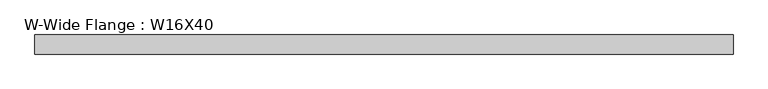
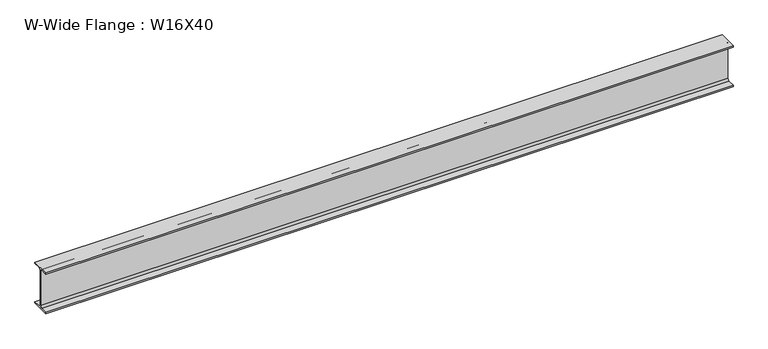
"""IFC4 building model written with IfcOpenShell, lengths in millimetres: beam geometry, W-Wide Flange : W16X40."""

import ifcopenshell
import ifcopenshell.guid

model = None  # the IFC model being written
_history = None  # IfcOwnerHistory: only IFC2X3 demands one
_inside = {}  # id of a spatial element -> (the spatial element, [elements in it])
_under = {}  # id of a project, library or spatial element -> (it, [spatial elements below it])
_declared = {}  # id of a project -> (the project, [libraries it declares])
_typed = {}  # id of a type object -> (the type object, [elements of that type])
_made_of = {}  # id of a material, layer set ... -> (it, [elements and type objects made of it])


def new_model(schema):
    """Start an empty IFC model of exactly this schema.

    Asked for "IFC4X3", IfcOpenShell would pick the latest addendum, in which some entities
    have other attributes; the version numbers below select the first issue.
    IFC2X3 requires an IfcOwnerHistory on every rooted entity: one is made here for all.
    """
    global model, _history
    if schema == "IFC4X3":
        model = ifcopenshell.file(schema_version=(4, 3, 0, 0))
    else:
        model = ifcopenshell.file(schema=schema)
    _inside.clear()
    _under.clear()
    _declared.clear()
    _typed.clear()
    _made_of.clear()
    _history = None
    if model.schema == "IFC2X3":
        org = make("IfcOrganization", Name="unknown")
        user = make(
            "IfcPersonAndOrganization",
            ThePerson=make("IfcPerson", FamilyName="unknown"),
            TheOrganization=org,
        )
        app = make(
            "IfcApplication",
            ApplicationDeveloper=org,
            Version="unknown",
            ApplicationFullName="unknown",
            ApplicationIdentifier="unknown",
        )
        _history = make(
            "IfcOwnerHistory",
            OwningUser=user,
            OwningApplication=app,
            ChangeAction="ADDED",
            CreationDate=0,
        )
    return model


def make(cls, **values):
    """One entity of the class cls with the attributes given. An attribute that is None is left unset."""
    return model.create_entity(
        cls, **{name: value for name, value in values.items() if value is not None}
    )


def rooted(cls, **values):
    """An entity with a GlobalId (a new one), such as an element, a storey or a relation."""
    return make(cls, GlobalId=ifcopenshell.guid.new(), OwnerHistory=_history, **values)


def si_unit(unit_type, name, prefix=None):
    """IfcSIUnit, for example si_unit("LENGTHUNIT", "METRE", prefix="MILLI")."""
    return make("IfcSIUnit", UnitType=unit_type, Prefix=prefix, Name=name)


def assignment(units):
    """IfcUnitAssignment: the units of a project."""
    return None if units is None else make("IfcUnitAssignment", Units=units)


def point(xyz):
    """IfcCartesianPoint."""
    return None if xyz is None else make("IfcCartesianPoint", Coordinates=xyz)


def direction(xyz):
    """IfcDirection."""
    return None if xyz is None else make("IfcDirection", DirectionRatios=xyz)


def frame(location, z_axis=None, x_axis=None):
    """IfcAxis2Placement3D, a coordinate frame: its origin and axes. An axis left out is left unset."""
    return make(
        "IfcAxis2Placement3D",
        Location=point(location),
        Axis=direction(z_axis),
        RefDirection=direction(x_axis),
    )


def frame_2d(location, x_axis=None):
    """IfcAxis2Placement2D, a coordinate frame in the plane: its origin and x axis."""
    return make(
        "IfcAxis2Placement2D", Location=point(location), RefDirection=direction(x_axis)
    )


def origin():
    """The frame at (0, 0, 0) with its axes left unset."""
    return frame((0.0, 0.0, 0.0))


def place(relative_to, where):
    """IfcLocalPlacement: puts the frame where relative to a parent placement (None: the world)."""
    return make(
        "IfcLocalPlacement", PlacementRelTo=relative_to, RelativePlacement=where
    )


def context(
    kind, dimensions, precision=None, world=None, true_north=None, identifier=None
):
    """IfcGeometricRepresentationContext, for example the 3D "Model" context."""
    return make(
        "IfcGeometricRepresentationContext",
        ContextIdentifier=identifier,
        ContextType=kind,
        CoordinateSpaceDimension=dimensions,
        Precision=precision,
        WorldCoordinateSystem=world,
        TrueNorth=true_north,
    )


def project(units=None, contexts=None):
    """IfcProject with its units and contexts."""
    return rooted(
        "IfcProject",
        Name="project",
        RepresentationContexts=contexts,
        UnitsInContext=assignment(units),
    )


def spatial(cls, under=None, at=None, **own):
    """A site, building, storey or space (cls), placed at a placement, below another one or the project."""
    s = rooted(cls, ObjectPlacement=at, **own)
    if under is not None:
        _under.setdefault(under.id(), (under, []))[1].append(s)
    return s


def polyline(points):
    """IfcPolyline through the points."""
    return make("IfcPolyline", Points=[point(p) for p in points])


def circle_curve(where, radius):
    """IfcCircle in the frame where."""
    return make("IfcCircle", Position=where, Radius=radius)


def trimmed(basis, trim1, trim2, sense, master):
    """IfcTrimmedCurve: the piece of a basis curve between two trims."""
    return make(
        "IfcTrimmedCurve",
        BasisCurve=basis,
        Trim1=trim1,
        Trim2=trim2,
        SenseAgreement=sense,
        MasterRepresentation=master,
    )


def segment(curve, same_sense, transition):
    """IfcCompositeCurveSegment."""
    return make(
        "IfcCompositeCurveSegment",
        Transition=transition,
        SameSense=same_sense,
        ParentCurve=curve,
    )


def composite_curve(segments, self_intersect=None):
    """IfcCompositeCurve: segments joined end to end."""
    return make("IfcCompositeCurve", Segments=segments, SelfIntersect=self_intersect)


def outline(outer, holes=None, kind="AREA"):
    """IfcArbitraryClosedProfileDef: a profile drawn as a closed curve; with holes, ...WithVoids."""
    if holes is None:
        return make("IfcArbitraryClosedProfileDef", ProfileType=kind, OuterCurve=outer)
    return make(
        "IfcArbitraryProfileDefWithVoids",
        ProfileType=kind,
        OuterCurve=outer,
        InnerCurves=holes,
    )


def extrude(swept, where, along, depth):
    """IfcExtrudedAreaSolid: the profile swept, set in the frame where, extruded along a direction by depth."""
    return make(
        "IfcExtrudedAreaSolid",
        SweptArea=swept,
        Position=where,
        ExtrudedDirection=direction(along),
        Depth=depth,
    )


def shape(context_of_items, identifier, shape_type, items):
    """IfcShapeRepresentation: the items that make up one representation, for example the "Body"."""
    return make(
        "IfcShapeRepresentation",
        ContextOfItems=context_of_items,
        RepresentationIdentifier=identifier,
        RepresentationType=shape_type,
        Items=items,
    )


def source(mapping_origin, context_of_items, identifier, shape_type, items):
    """IfcRepresentationMap: a shape defined once, which mapped items show again and again."""
    return make(
        "IfcRepresentationMap",
        MappingOrigin=mapping_origin,
        MappedRepresentation=shape(context_of_items, identifier, shape_type, items),
    )


def transform(
    local_origin,
    x_axis=None,
    y_axis=None,
    z_axis=None,
    scale=None,
    scale2=None,
    scale3=None,
    uniform=True,
):
    """IfcCartesianTransformationOperator3D, or its non-uniform kind. x_axis, y_axis, z_axis: its Axis1, 2, 3."""
    if uniform:
        return make(
            "IfcCartesianTransformationOperator3D",
            Axis1=direction(x_axis),
            Axis2=direction(y_axis),
            LocalOrigin=point(local_origin),
            Scale=scale,
            Axis3=direction(z_axis),
        )
    return make(
        "IfcCartesianTransformationOperator3DnonUniform",
        Axis1=direction(x_axis),
        Axis2=direction(y_axis),
        LocalOrigin=point(local_origin),
        Scale=scale,
        Axis3=direction(z_axis),
        Scale2=scale2,
        Scale3=scale3,
    )


def mapped(mapping_source, mapping_target):
    """IfcMappedItem: shows the shape of a source again, moved by a transform."""
    return make(
        "IfcMappedItem", MappingSource=mapping_source, MappingTarget=mapping_target
    )


def made_of(thing, what):
    """Note that an element or type object is made of a material, layer set ...; save() writes the relation."""
    if what is not None:
        _made_of.setdefault(what.id(), (what, []))[1].append(thing)
    return thing


def element(
    cls,
    number,
    at=None,
    inside=None,
    cuts=None,
    type_object=None,
    material=None,
    context=None,
    identifier="Body",
    shape_type=None,
    held_by="IfcProductDefinitionShape",
    body=None,
    shapes=None,
    **own,
):
    """One element of the class cls, such as IfcWall. Its Tag is "e" and its number.

    at: its placement. inside: the storey or other place that contains it. cuts: it is an
    opening in that element (IfcRelVoidsElement). A single representation is given by context,
    identifier, shape_type and body (its items); several are given by shapes. held_by: the class
    of the entity that holds the representations. save() writes the other relations.
    """
    e = rooted(cls, Tag="e%d" % number, ObjectPlacement=at, **own)
    if body is not None:
        shapes = [shape(context, identifier, shape_type, body)]
    if shapes is not None:
        e.Representation = make(held_by, Representations=shapes)
    if inside is not None:
        _inside.setdefault(inside.id(), (inside, []))[1].append(e)
    if cuts is not None:
        rooted(
            "IfcRelVoidsElement", RelatingBuildingElement=cuts, RelatedOpeningElement=e
        )
    if type_object is not None:
        _typed.setdefault(type_object.id(), (type_object, []))[1].append(e)
    return made_of(e, material)


def aggregate(whole, parts):
    """IfcRelAggregates: a whole, such as a stair, and the parts it consists of."""
    return rooted("IfcRelAggregates", RelatingObject=whole, RelatedObjects=parts)


def save(model, path):
    """Write the relations noted so far, then the file.

    IfcRelAggregates (storeys below a building ...), IfcRelContainedInSpatialStructure (elements
    in a storey), IfcRelDefinesByType, IfcRelAssociatesMaterial and IfcRelDeclares: one each for
    every whole, place, type object, material and project.
    """
    for whole, parts in _under.values():
        aggregate(whole, parts)
    for where, things in _inside.values():
        rooted(
            "IfcRelContainedInSpatialStructure",
            RelatedElements=things,
            RelatingStructure=where,
        )
    for kind, things in _typed.values():
        rooted("IfcRelDefinesByType", RelatedObjects=things, RelatingType=kind)
    for what, things in _made_of.values():
        rooted("IfcRelAssociatesMaterial", RelatedObjects=things, RelatingMaterial=what)
    for by, libraries in _declared.values():
        rooted("IfcRelDeclares", RelatingContext=by, RelatedDefinitions=libraries)
    model.write(path)


def w_wide_flange_w16x40_dcd23944(model_context):
    return source(origin(), model_context, "Body", "SweptSolid", [
        extrude(outline(composite_curve([segment(polyline([(88.9, -190.4), (88.9, -203.2), (-88.9, -203.2), (-88.9, -190.4), (-21.25, -190.4)]), True, "CONTINUOUS"), segment(trimmed(circle_curve(frame_2d((-21.25, -173.0)), 17.4), [point((-21.25, -190.4))], [point((-3.85, -173.0))], True, "CARTESIAN"), True, "CONTINUOUS"), segment(polyline([(-3.85, -173.0), (-3.85, 173.0)]), True, "CONTINUOUS"), segment(trimmed(circle_curve(frame_2d((-21.25, 173.0)), 17.4), [point((-3.85, 173.0))], [point((-21.25, 190.4))], True, "CARTESIAN"), True, "CONTINUOUS"), segment(polyline([(-21.25, 190.4), (-88.9, 190.4), (-88.9, 203.2), (88.9, 203.2), (88.9, 190.4), (21.25, 190.4)]), True, "CONTINUOUS"), segment(trimmed(circle_curve(frame_2d((21.25, 173.0)), 17.4), [point((21.25, 190.4))], [point((3.85, 173.0))], True, "CARTESIAN"), True, "CONTINUOUS"), segment(polyline([(3.85, 173.0), (3.85, -173.0)]), True, "CONTINUOUS"), segment(trimmed(circle_curve(frame_2d((21.25, -173.0)), 17.4), [point((3.85, -173.0))], [point((21.25, -190.4))], True, "CARTESIAN"), True, "CONTINUOUS"), segment(polyline([(21.25, -190.4), (88.9, -190.4)]), True, "CONTINUOUS")], self_intersect=False)), frame((-3330.3651772, 0.0, 0.0), z_axis=(1.0, 0.0, 0.0), x_axis=(0.0, 1.0, 0.0)), (0.0, 0.0, 1.0), 6476.1460765),
    ])


if __name__ == "__main__":
    model = new_model("IFC4")
    model_context = context("Model", 3, world=origin())
    ifc_project = project(units=[si_unit("LENGTHUNIT", "METRE", prefix="MILLI")], contexts=[model_context])
    site = spatial("IfcSite", under=ifc_project)
    building = spatial("IfcBuilding", under=site)
    placement = place(None, origin())
    w_wide_flange_w16x40_shape = w_wide_flange_w16x40_dcd23944(model_context)
    element("IfcBeam", 1, ObjectType="W-Wide Flange : W16X40", at=placement, inside=building, context=model_context, shape_type="MappedRepresentation", body=[
        mapped(w_wide_flange_w16x40_shape, transform((0.0, 0.0, 0.0), x_axis=(1.0, 0.0, 0.0), y_axis=(0.0, 1.0, 0.0), z_axis=(0.0, 0.0, 1.0))),
    ])
    save(model, "model.ifc")
